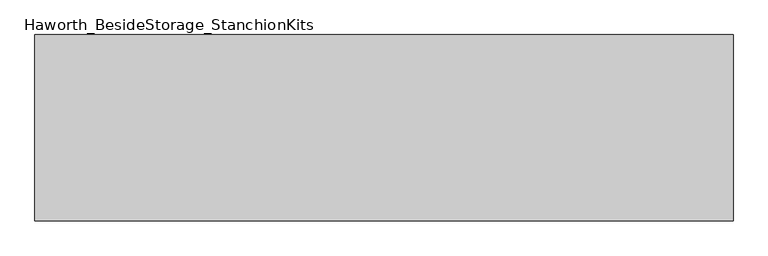
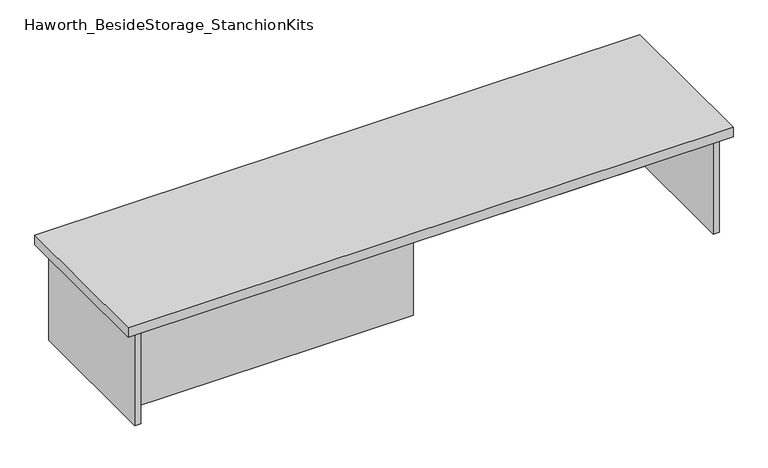
"""IFC4 building model written with IfcOpenShell, lengths in millimetres: furniture geometry, Haworth_BesideStorage_StanchionKits."""

import ifcopenshell
import ifcopenshell.guid

model = None  # the IFC model being written
_history = None  # IfcOwnerHistory: only IFC2X3 demands one
_inside = {}  # id of a spatial element -> (the spatial element, [elements in it])
_under = {}  # id of a project, library or spatial element -> (it, [spatial elements below it])
_declared = {}  # id of a project -> (the project, [libraries it declares])
_typed = {}  # id of a type object -> (the type object, [elements of that type])
_made_of = {}  # id of a material, layer set ... -> (it, [elements and type objects made of it])


def new_model(schema):
    """Start an empty IFC model of exactly this schema.

    Asked for "IFC4X3", IfcOpenShell would pick the latest addendum, in which some entities
    have other attributes; the version numbers below select the first issue.
    IFC2X3 requires an IfcOwnerHistory on every rooted entity: one is made here for all.
    """
    global model, _history
    if schema == "IFC4X3":
        model = ifcopenshell.file(schema_version=(4, 3, 0, 0))
    else:
        model = ifcopenshell.file(schema=schema)
    _inside.clear()
    _under.clear()
    _declared.clear()
    _typed.clear()
    _made_of.clear()
    _history = None
    if model.schema == "IFC2X3":
        org = make("IfcOrganization", Name="unknown")
        user = make(
            "IfcPersonAndOrganization",
            ThePerson=make("IfcPerson", FamilyName="unknown"),
            TheOrganization=org,
        )
        app = make(
            "IfcApplication",
            ApplicationDeveloper=org,
            Version="unknown",
            ApplicationFullName="unknown",
            ApplicationIdentifier="unknown",
        )
        _history = make(
            "IfcOwnerHistory",
            OwningUser=user,
            OwningApplication=app,
            ChangeAction="ADDED",
            CreationDate=0,
        )
    return model


def make(cls, **values):
    """One entity of the class cls with the attributes given. An attribute that is None is left unset."""
    return model.create_entity(
        cls, **{name: value for name, value in values.items() if value is not None}
    )


def rooted(cls, **values):
    """An entity with a GlobalId (a new one), such as an element, a storey or a relation."""
    return make(cls, GlobalId=ifcopenshell.guid.new(), OwnerHistory=_history, **values)


def si_unit(unit_type, name, prefix=None):
    """IfcSIUnit, for example si_unit("LENGTHUNIT", "METRE", prefix="MILLI")."""
    return make("IfcSIUnit", UnitType=unit_type, Prefix=prefix, Name=name)


def assignment(units):
    """IfcUnitAssignment: the units of a project."""
    return None if units is None else make("IfcUnitAssignment", Units=units)


def point(xyz):
    """IfcCartesianPoint."""
    return None if xyz is None else make("IfcCartesianPoint", Coordinates=xyz)


def direction(xyz):
    """IfcDirection."""
    return None if xyz is None else make("IfcDirection", DirectionRatios=xyz)


def frame(location, z_axis=None, x_axis=None):
    """IfcAxis2Placement3D, a coordinate frame: its origin and axes. An axis left out is left unset."""
    return make(
        "IfcAxis2Placement3D",
        Location=point(location),
        Axis=direction(z_axis),
        RefDirection=direction(x_axis),
    )


def origin():
    """The frame at (0, 0, 0) with its axes left unset."""
    return frame((0.0, 0.0, 0.0))


def place(relative_to, where):
    """IfcLocalPlacement: puts the frame where relative to a parent placement (None: the world)."""
    return make(
        "IfcLocalPlacement", PlacementRelTo=relative_to, RelativePlacement=where
    )


def context(
    kind, dimensions, precision=None, world=None, true_north=None, identifier=None
):
    """IfcGeometricRepresentationContext, for example the 3D "Model" context."""
    return make(
        "IfcGeometricRepresentationContext",
        ContextIdentifier=identifier,
        ContextType=kind,
        CoordinateSpaceDimension=dimensions,
        Precision=precision,
        WorldCoordinateSystem=world,
        TrueNorth=true_north,
    )


def project(units=None, contexts=None):
    """IfcProject with its units and contexts."""
    return rooted(
        "IfcProject",
        Name="project",
        RepresentationContexts=contexts,
        UnitsInContext=assignment(units),
    )


def spatial(cls, under=None, at=None, **own):
    """A site, building, storey or space (cls), placed at a placement, below another one or the project."""
    s = rooted(cls, ObjectPlacement=at, **own)
    if under is not None:
        _under.setdefault(under.id(), (under, []))[1].append(s)
    return s


def polyline(points):
    """IfcPolyline through the points."""
    return make("IfcPolyline", Points=[point(p) for p in points])


def outline(outer, holes=None, kind="AREA"):
    """IfcArbitraryClosedProfileDef: a profile drawn as a closed curve; with holes, ...WithVoids."""
    if holes is None:
        return make("IfcArbitraryClosedProfileDef", ProfileType=kind, OuterCurve=outer)
    return make(
        "IfcArbitraryProfileDefWithVoids",
        ProfileType=kind,
        OuterCurve=outer,
        InnerCurves=holes,
    )


def extrude(swept, where, along, depth):
    """IfcExtrudedAreaSolid: the profile swept, set in the frame where, extruded along a direction by depth."""
    return make(
        "IfcExtrudedAreaSolid",
        SweptArea=swept,
        Position=where,
        ExtrudedDirection=direction(along),
        Depth=depth,
    )


def shape(context_of_items, identifier, shape_type, items):
    """IfcShapeRepresentation: the items that make up one representation, for example the "Body"."""
    return make(
        "IfcShapeRepresentation",
        ContextOfItems=context_of_items,
        RepresentationIdentifier=identifier,
        RepresentationType=shape_type,
        Items=items,
    )


def source(mapping_origin, context_of_items, identifier, shape_type, items):
    """IfcRepresentationMap: a shape defined once, which mapped items show again and again."""
    return make(
        "IfcRepresentationMap",
        MappingOrigin=mapping_origin,
        MappedRepresentation=shape(context_of_items, identifier, shape_type, items),
    )


def transform(
    local_origin,
    x_axis=None,
    y_axis=None,
    z_axis=None,
    scale=None,
    scale2=None,
    scale3=None,
    uniform=True,
):
    """IfcCartesianTransformationOperator3D, or its non-uniform kind. x_axis, y_axis, z_axis: its Axis1, 2, 3."""
    if uniform:
        return make(
            "IfcCartesianTransformationOperator3D",
            Axis1=direction(x_axis),
            Axis2=direction(y_axis),
            LocalOrigin=point(local_origin),
            Scale=scale,
            Axis3=direction(z_axis),
        )
    return make(
        "IfcCartesianTransformationOperator3DnonUniform",
        Axis1=direction(x_axis),
        Axis2=direction(y_axis),
        LocalOrigin=point(local_origin),
        Scale=scale,
        Axis3=direction(z_axis),
        Scale2=scale2,
        Scale3=scale3,
    )


def mapped(mapping_source, mapping_target):
    """IfcMappedItem: shows the shape of a source again, moved by a transform."""
    return make(
        "IfcMappedItem", MappingSource=mapping_source, MappingTarget=mapping_target
    )


def made_of(thing, what):
    """Note that an element or type object is made of a material, layer set ...; save() writes the relation."""
    if what is not None:
        _made_of.setdefault(what.id(), (what, []))[1].append(thing)
    return thing


def element(
    cls,
    number,
    at=None,
    inside=None,
    cuts=None,
    type_object=None,
    material=None,
    context=None,
    identifier="Body",
    shape_type=None,
    held_by="IfcProductDefinitionShape",
    body=None,
    shapes=None,
    **own,
):
    """One element of the class cls, such as IfcWall. Its Tag is "e" and its number.

    at: its placement. inside: the storey or other place that contains it. cuts: it is an
    opening in that element (IfcRelVoidsElement). A single representation is given by context,
    identifier, shape_type and body (its items); several are given by shapes. held_by: the class
    of the entity that holds the representations. save() writes the other relations.
    """
    e = rooted(cls, Tag="e%d" % number, ObjectPlacement=at, **own)
    if body is not None:
        shapes = [shape(context, identifier, shape_type, body)]
    if shapes is not None:
        e.Representation = make(held_by, Representations=shapes)
    if inside is not None:
        _inside.setdefault(inside.id(), (inside, []))[1].append(e)
    if cuts is not None:
        rooted(
            "IfcRelVoidsElement", RelatingBuildingElement=cuts, RelatedOpeningElement=e
        )
    if type_object is not None:
        _typed.setdefault(type_object.id(), (type_object, []))[1].append(e)
    return made_of(e, material)


def aggregate(whole, parts):
    """IfcRelAggregates: a whole, such as a stair, and the parts it consists of."""
    return rooted("IfcRelAggregates", RelatingObject=whole, RelatedObjects=parts)


def save(model, path):
    """Write the relations noted so far, then the file.

    IfcRelAggregates (storeys below a building ...), IfcRelContainedInSpatialStructure (elements
    in a storey), IfcRelDefinesByType, IfcRelAssociatesMaterial and IfcRelDeclares: one each for
    every whole, place, type object, material and project.
    """
    for whole, parts in _under.values():
        aggregate(whole, parts)
    for where, things in _inside.values():
        rooted(
            "IfcRelContainedInSpatialStructure",
            RelatedElements=things,
            RelatingStructure=where,
        )
    for kind, things in _typed.values():
        rooted("IfcRelDefinesByType", RelatedObjects=things, RelatingType=kind)
    for what, things in _made_of.values():
        rooted("IfcRelAssociatesMaterial", RelatedObjects=things, RelatingMaterial=what)
    for by, libraries in _declared.values():
        rooted("IfcRelDeclares", RelatingContext=by, RelatedDefinitions=libraries)
    model.write(path)


def haworth_besidestorage_stanchionkits_b05a14c7(model_context):
    return source(origin(), model_context, "Body", "SweptSolid", [
        extrude(outline(polyline([(923.925, 0.0), (923.925, -406.4), (-600.075, -406.4), (-600.075, 0.0), (923.925, 0.0)])), frame((0.0, 0.0, 685.8), z_axis=(0.0, 0.0, 1.0), x_axis=(1.0, 0.0, 0.0)), (0.0, 0.0, 1.0), 25.4),
        extrude(outline(polyline([(161.925, -76.2), (882.65, -76.2), (882.65, -92.075), (161.925, -92.075), (161.925, -76.2)])), frame((0.0, 0.0, 431.8), z_axis=(0.0, 0.0, 1.0), x_axis=(1.0, 0.0, 0.0)), (0.0, 0.0, 1.0), 254.0),
        extrude(outline(polyline([(161.925, -314.325), (161.925, -330.2), (-558.8, -330.2), (-558.8, -314.325), (161.925, -314.325)])), frame((0.0, 0.0, 431.8), z_axis=(0.0, 0.0, 1.0), x_axis=(1.0, 0.0, 0.0)), (0.0, 0.0, 1.0), 254.0),
        extrude(outline(polyline([(898.525, -390.525), (882.65, -390.525), (882.65, -15.875), (898.525, -15.875), (898.525, -390.525)])), frame((0.0, 0.0, 431.8), z_axis=(0.0, 0.0, 1.0), x_axis=(1.0, 0.0, 0.0)), (0.0, 0.0, 1.0), 254.0),
        extrude(outline(polyline([(-558.8, -390.525), (-574.675, -390.525), (-574.675, -15.875), (-558.8, -15.875), (-558.8, -390.525)])), frame((0.0, 0.0, 431.8), z_axis=(0.0, 0.0, 1.0), x_axis=(1.0, 0.0, 0.0)), (0.0, 0.0, 1.0), 254.0),
    ])


if __name__ == "__main__":
    model = new_model("IFC4")
    model_context = context("Model", 3, world=origin())
    ifc_project = project(units=[si_unit("LENGTHUNIT", "METRE", prefix="MILLI")], contexts=[model_context])
    site = spatial("IfcSite", under=ifc_project)
    building = spatial("IfcBuilding", under=site)
    placement = place(None, origin())
    haworth_besidestorage_stanchionkits_shape = haworth_besidestorage_stanchionkits_b05a14c7(model_context)
    element("IfcFurniture", 1, ObjectType="Haworth_BesideStorage_StanchionKits", at=placement, inside=building, context=model_context, shape_type="MappedRepresentation", body=[
        mapped(haworth_besidestorage_stanchionkits_shape, transform((0.0, 0.0, 0.0), x_axis=(1.0, 0.0, 0.0), y_axis=(0.0, 1.0, 0.0), z_axis=(0.0, 0.0, 1.0))),
    ])
    save(model, "model.ifc")
